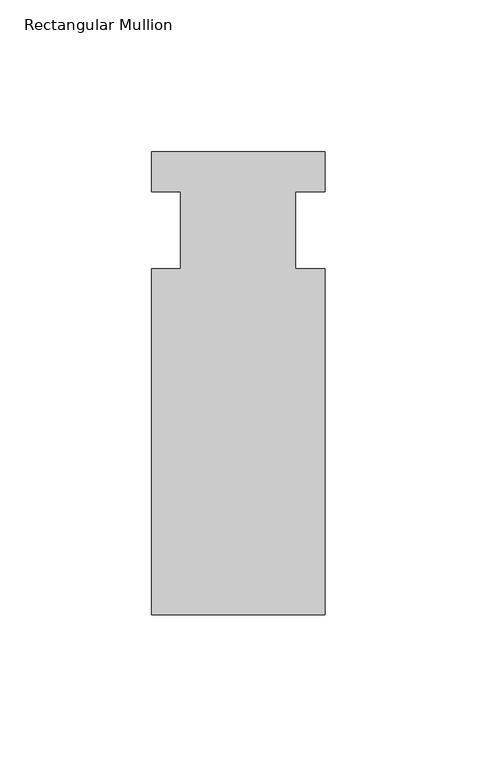
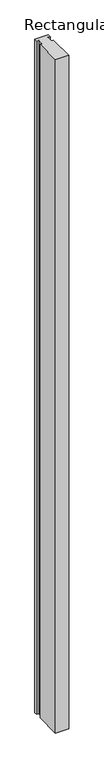
"""IFC4 building model written with IfcOpenShell, lengths in millimetres: member geometry, Rectangular Mullion."""

from ifc_helpers import new_model, si_unit, frame, origin, place, context, project, spatial, polyline, outline, extrude, source, transform, mapped, element, save


def rectangular_mullion_aae1d8d2(model_context):
    return source(origin(), model_context, "Body", "SweptSolid", [
        extrude(outline(polyline([(-57.15, 93.0625794), (0.0, 93.0625794), (0.0, 79.8764212), (-9.779, 79.8764212), (-9.779, 54.4764212), (0.0, 54.4764212), (0.0, -59.3374206), (-57.15, -59.3374206), (-57.15, 54.4764212), (-47.625, 54.4764212), (-47.625, 79.8764212), (-57.15, 79.8764212), (-57.15, 93.0625794)])), frame((0.0, 0.0, -3048.0), z_axis=(0.0, 0.0, 1.0), x_axis=(1.0, 0.0, 0.0)), (0.0, 0.0, 1.0), 3048.0),
    ])


if __name__ == "__main__":
    model = new_model("IFC4")
    model_context = context("Model", 3, world=origin())
    ifc_project = project(units=[si_unit("LENGTHUNIT", "METRE", prefix="MILLI")], contexts=[model_context])
    site = spatial("IfcSite", under=ifc_project)
    building = spatial("IfcBuilding", under=site)
    placement = place(None, origin())
    rectangular_mullion_shape = rectangular_mullion_aae1d8d2(model_context)
    element("IfcMember", 1, ObjectType="Rectangular Mullion", at=placement, inside=building, context=model_context, shape_type="MappedRepresentation", body=[
        mapped(rectangular_mullion_shape, transform((0.0, 0.0, 0.0), x_axis=(1.0, 0.0, 0.0), y_axis=(0.0, 1.0, 0.0), z_axis=(0.0, 0.0, 1.0))),
    ])
    save(model, "model.ifc")
